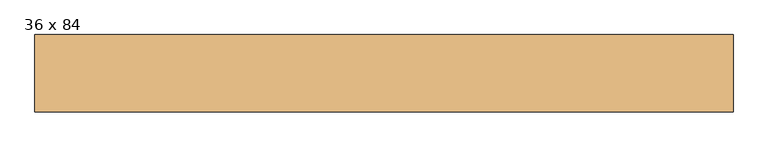
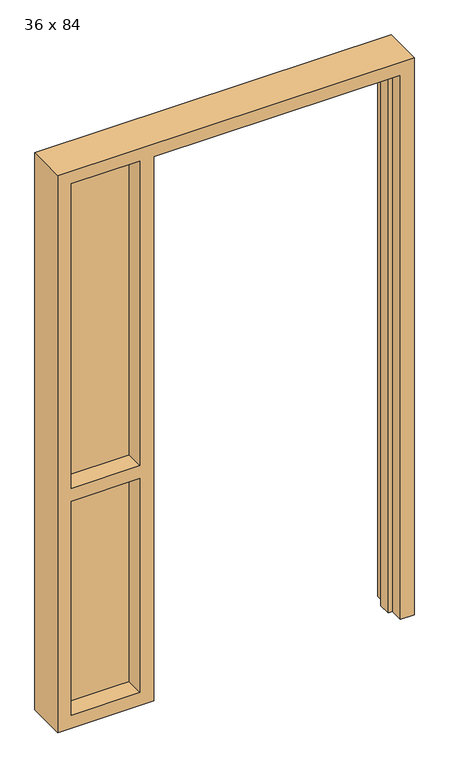
"""IFC4 building model written with IfcOpenShell, lengths in millimetres: door geometry, 36 x 84."""

from ifc_helpers import new_model, si_unit, frame, origin, place, context, project, spatial, polyline, outline, extrude, source, transform, mapped, element, save


def door_36_x_84_9443eef1(model_context):
    return source(origin(), model_context, "Body", "SweptSolid", [
        extrude(outline(polyline([(-508.0, 4.7625), (-762.0, 4.7625), (-762.0, 11.1125), (-508.0, 11.1125), (-508.0, 4.7625)])), frame((0.0, 0.0, 939.8), z_axis=(0.0, 0.0, 1.0), x_axis=(1.0, 0.0, 0.0)), (0.0, 0.0, 1.0), 1193.8),
        extrude(outline(polyline([(0.0, 457.2), (0.0, 508.0), (2184.4, 508.0), (2184.4, -812.8), (0.0, -812.8), (0.0, -457.2), (2133.6, -457.2), (2133.6, 457.2), (0.0, 457.2)]), holes=[polyline([(939.8, -762.0), (2133.6, -762.0), (2133.6, -508.0), (939.8, -508.0), (939.8, -762.0)]), polyline([(889.0, -508.0), (50.8, -508.0), (50.8, -762.0), (889.0, -762.0), (889.0, -508.0)])]), frame((0.0, -65.0875, 0.0), z_axis=(0.0, 1.0, 0.0), x_axis=(0.0, 0.0, 1.0)), (0.0, 0.0, 1.0), 146.05),
        extrude(outline(polyline([(0.0, 441.325), (0.0, 457.2), (2133.6, 457.2), (2133.6, -457.2), (0.0, -457.2), (0.0, -441.325), (2117.725, -441.325), (2117.725, 441.325), (0.0, 441.325)])), frame((0.0, -15.875, 0.0), z_axis=(0.0, 1.0, 0.0), x_axis=(0.0, 0.0, 1.0)), (0.0, 0.0, 1.0), 47.625),
        extrude(outline(polyline([(-508.0, 4.7625), (-762.0, 4.7625), (-762.0, 11.1125), (-508.0, 11.1125), (-508.0, 4.7625)])), frame((0.0, 0.0, 50.8), z_axis=(0.0, 0.0, 1.0), x_axis=(1.0, 0.0, 0.0)), (0.0, 0.0, 1.0), 838.2),
    ])


if __name__ == "__main__":
    model = new_model("IFC4")
    model_context = context("Model", 3, world=origin())
    ifc_project = project(units=[si_unit("LENGTHUNIT", "METRE", prefix="MILLI")], contexts=[model_context])
    site = spatial("IfcSite", under=ifc_project)
    building = spatial("IfcBuilding", under=site)
    placement = place(None, origin())
    door_36_x_84_shape = door_36_x_84_9443eef1(model_context)
    element("IfcDoor", 1, ObjectType="36 x 84", at=placement, inside=building, context=model_context, shape_type="MappedRepresentation", body=[
        mapped(door_36_x_84_shape, transform((0.0, 0.0, 0.0), x_axis=(1.0, 0.0, 0.0), y_axis=(0.0, 1.0, 0.0), z_axis=(0.0, 0.0, 1.0))),
    ])
    save(model, "model.ifc")
